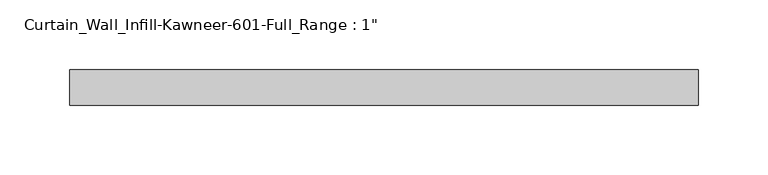
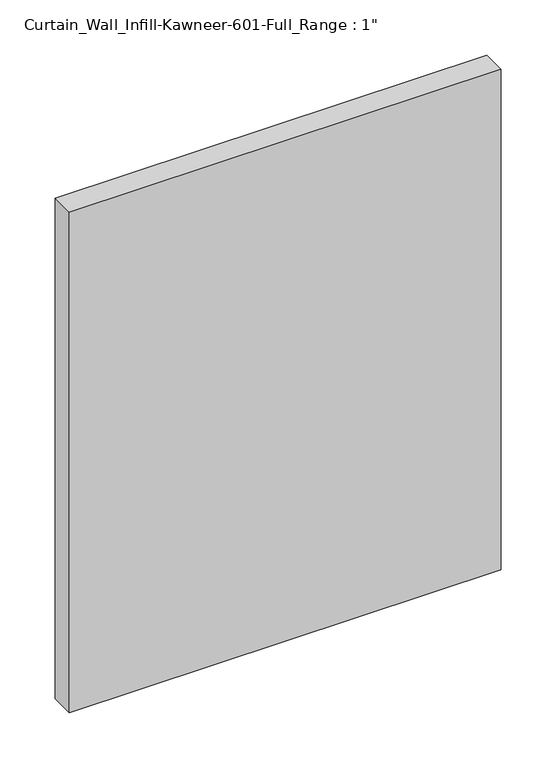
"""IFC4 building model written with IfcOpenShell, lengths in millimetres: plate geometry."""

from ifc_helpers import new_model, si_unit, origin, origin_with_axes, place, context, project, spatial, polyline, outline, extrude, source, transform, mapped, element, save


def plate_7e823644(model_context):
    return source(origin(), model_context, "Body", "SweptSolid", [
        extrude(outline(polyline([(-225.425, 12.7), (225.425, 12.7), (225.425, -12.7), (-225.425, -12.7), (-225.425, 12.7)])), origin_with_axes(), (0.0, 0.0, 1.0), 552.45),
    ])


if __name__ == "__main__":
    model = new_model("IFC4")
    model_context = context("Model", 3, world=origin())
    ifc_project = project(units=[si_unit("LENGTHUNIT", "METRE", prefix="MILLI")], contexts=[model_context])
    site = spatial("IfcSite", under=ifc_project)
    building = spatial("IfcBuilding", under=site)
    placement = place(None, origin())
    plate_shape = plate_7e823644(model_context)
    element("IfcPlate", 1, ObjectType="Curtain_Wall_Infill-Kawneer-601-Full_Range : 1\"", at=placement, inside=building, context=model_context, shape_type="MappedRepresentation", body=[
        mapped(plate_shape, transform((0.0, 0.0, 0.0), x_axis=(1.0, 0.0, 0.0), y_axis=(0.0, 1.0, 0.0), z_axis=(0.0, 0.0, 1.0))),
    ])
    save(model, "model.ifc")
